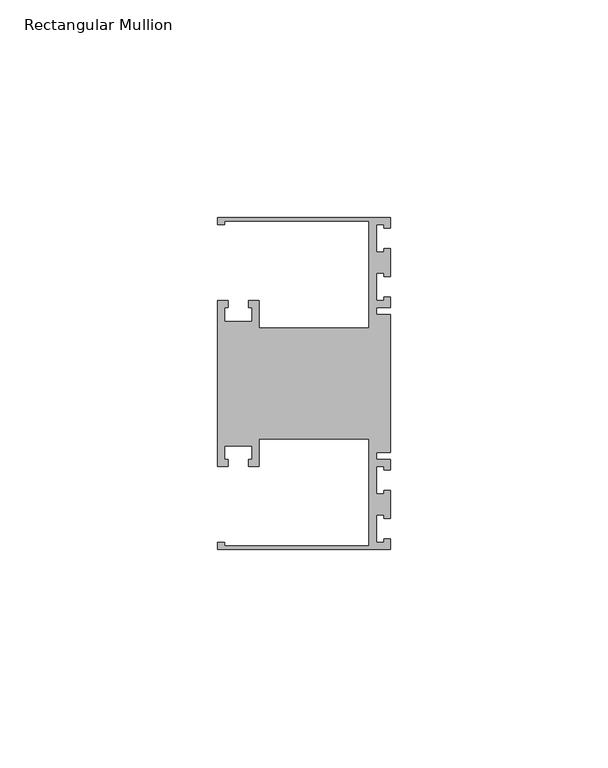
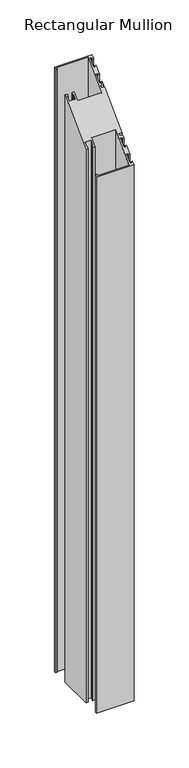
"""IFC4 building model written with IfcOpenShell, lengths in millimetres: member geometry, Rectangular Mullion."""

from ifc_helpers import new_model, si_unit, origin, place, context, project, spatial, faceted_brep, source, transform, mapped, element, save


def rectangular_mullion_bf91cc14(model_context):
    return source(origin(), model_context, "Body", "Brep", [
        faceted_brep([(0.0, 38.1, -635.0), (0.0, 35.71875, -635.0), (-1.4999946, 35.71875, -635.0), (-1.4999946, 36.5125, -635.0), (-3.175, 36.5125, -635.0), (-3.175, 30.1625, -635.0), (-1.4999946, 30.1625, -635.0), (-1.4999946, 30.95625, -635.0), (0.0, 30.95625, -635.0), (0.0, 24.60625, -635.0), (-1.4999946, 24.60625, -635.0), (-1.4999946, 25.4, -635.0), (-3.175, 25.4, -635.0), (-3.175, 19.05, -635.0), (-1.4999946, 19.05, -635.0), (-1.4999946, 19.84375, -635.0), (0.0, 19.84375, -635.0), (0.0, 17.4625, -635.0), (-3.175, 17.4625, -635.0), (-3.175, 15.875, -635.0), (0.0, 15.875, -635.0), (0.0, -15.875, -635.0), (-3.175, -15.875, -635.0), (-3.175, -17.4625, -635.0), (0.0, -17.4625, -635.0), (0.0, -19.84375, -635.0), (-1.4999946, -19.84375, -635.0), (-1.4999946, -19.05, -635.0), (-3.175, -19.05, -635.0), (-3.175, -25.4, -635.0), (-1.4999946, -25.4, -635.0), (-1.4999946, -24.60625, -635.0), (0.0, -24.60625, -635.0), (0.0, -30.95625, -635.0), (-1.4999946, -30.95625, -635.0), (-1.4999946, -30.1625, -635.0), (-3.175, -30.1625, -635.0), (-3.175, -36.5125, -635.0), (-1.4999946, -36.5125, -635.0), (-1.4999946, -35.71875, -635.0), (0.0, -35.71875, -635.0), (0.0, -38.1, -635.0), (-39.6875, -38.1, -635.0), (-39.6875, -36.5125, -635.0), (-38.1, -36.5125, -635.0), (-38.1, -37.30625, -635.0), (-4.8585733, -37.30625, -635.0), (-4.8585733, -12.6999969, -635.0), (-30.1625, -12.6999969, -635.0), (-30.1625, -19.05, -635.0), (-32.54375, -19.05, -635.0), (-32.54375, -17.4625, -635.0), (-31.75, -17.4625, -635.0), (-31.75, -14.2875, -635.0), (-38.1, -14.2875, -635.0), (-38.1, -17.4625, -635.0), (-37.30625, -17.4625, -635.0), (-37.30625, -19.05, -635.0), (-39.6875, -19.05, -635.0), (-39.6875, 19.05, -635.0), (-37.30625, 19.05, -635.0), (-37.30625, 17.4625, -635.0), (-38.1, 17.4625, -635.0), (-38.1, 14.2875, -635.0), (-31.75, 14.2875, -635.0), (-31.75, 17.4625, -635.0), (-32.54375, 17.4625, -635.0), (-32.54375, 19.05, -635.0), (-30.1625, 19.05, -635.0), (-30.1625, 12.6999969, -635.0), (-4.8585733, 12.6999969, -635.0), (-4.8585733, 37.30625, -635.0), (-38.1, 37.30625, -635.0), (-38.1, 36.5125, -635.0), (-39.6875, 36.5125, -635.0), (-39.6875, 38.1, -635.0), (-39.6875, 38.1, 38.1), (0.0, 38.1, 38.1), (-39.6875, 36.5125, 36.5125), (-38.1, 36.5125, 36.5125), (-38.1, 37.30625, 37.30625), (-4.8585733, 37.30625, 37.30625), (-4.8585733, 12.6999969, 12.6999969), (-30.1625, 12.6999969, 12.6999969), (-30.1625, 19.05, 19.05), (-32.54375, 19.05, 19.05), (-32.54375, 17.4625, 17.4625), (-31.75, 17.4625, 17.4625), (-31.75, 14.2875, 14.2875), (-38.1, 14.2875, 14.2875), (-38.1, 17.4625, 17.4625), (-37.30625, 17.4625, 17.4625), (-37.30625, 19.05, 19.05), (-39.6875, 19.05, 19.05), (-39.6875, -19.05, -19.05), (-37.30625, -19.05, -19.05), (-37.30625, -17.4625, -17.4625), (-38.1, -17.4625, -17.4625), (-38.1, -14.2875, -14.2875), (-31.75, -14.2875, -14.2875), (-31.75, -17.4625, -17.4625), (-32.54375, -17.4625, -17.4625), (-32.54375, -19.05, -19.05), (-30.1625, -19.05, -19.05), (-30.1625, -12.6999969, -12.6999969), (-4.8585733, -12.6999969, -12.6999969), (-4.8585733, -37.30625, -37.30625), (-38.1, -37.30625, -37.30625), (-38.1, -36.5125, -36.5125), (-39.6875, -36.5125, -36.5125), (-39.6875, -38.1, -38.1), (0.0, -38.1, -38.1), (0.0, -35.71875, -35.71875), (-1.4999946, -35.71875, -35.71875), (-1.4999946, -36.5125, -36.5125), (-3.175, -36.5125, -36.5125), (-3.175, -30.1625, -30.1625), (-1.4999946, -30.1625, -30.1625), (-1.4999946, -30.95625, -30.95625), (0.0, -30.95625, -30.95625), (0.0, -24.60625, -24.60625), (-1.4999946, -24.60625, -24.60625), (-1.4999946, -25.4, -25.4), (-3.175, -25.4, -25.4), (-3.175, -19.05, -19.05), (-1.4999946, -19.05, -19.05), (-1.4999946, -19.84375, -19.84375), (0.0, -19.84375, -19.84375), (0.0, -17.4625, -17.4625), (-3.175, -17.4625, -17.4625), (-3.175, -15.875, -15.875), (0.0, -15.875, -15.875), (0.0, 15.875, 15.875), (-3.175, 15.875, 15.875), (-3.175, 17.4625, 17.4625), (0.0, 17.4625, 17.4625), (0.0, 19.84375, 19.84375), (-1.4999946, 19.84375, 19.84375), (-1.4999946, 19.05, 19.05), (-3.175, 19.05, 19.05), (-3.175, 25.4, 25.4), (-1.4999946, 25.4, 25.4), (-1.4999946, 24.60625, 24.60625), (0.0, 24.60625, 24.60625), (0.0, 30.95625, 30.95625), (-1.4999946, 30.95625, 30.95625), (-1.4999946, 30.1625, 30.1625), (-3.175, 30.1625, 30.1625), (-3.175, 36.5125, 36.5125), (-1.4999946, 36.5125, 36.5125), (-1.4999946, 35.71875, 35.71875), (0.0, 35.71875, 35.71875)], [[[0, 1, 2, 3, 4, 5, 6, 7, 8, 9, 10, 11, 12, 13, 14, 15, 16, 17, 18, 19, 20, 21, 22, 23, 24, 25, 26, 27, 28, 29, 30, 31, 32, 33, 34, 35, 36, 37, 38, 39, 40, 41, 42, 43, 44, 45, 46, 47, 48, 49, 50, 51, 52, 53, 54, 55, 56, 57, 58, 59, 60, 61, 62, 63, 64, 65, 66, 67, 68, 69, 70, 71, 72, 73, 74, 75]], [[76, 77, 0, 75]], [[78, 76, 75, 74]], [[79, 78, 74, 73]], [[80, 79, 73, 72]], [[81, 80, 72, 71]], [[82, 81, 71, 70]], [[83, 82, 70, 69]], [[84, 83, 69, 68]], [[85, 84, 68, 67]], [[86, 85, 67, 66]], [[87, 86, 66, 65]], [[88, 87, 65, 64]], [[89, 88, 64, 63]], [[90, 89, 63, 62]], [[91, 90, 62, 61]], [[92, 91, 61, 60]], [[93, 92, 60, 59]], [[94, 93, 59, 58]], [[95, 94, 58, 57]], [[96, 95, 57, 56]], [[97, 96, 56, 55]], [[98, 97, 55, 54]], [[99, 98, 54, 53]], [[100, 99, 53, 52]], [[101, 100, 52, 51]], [[102, 101, 51, 50]], [[103, 102, 50, 49]], [[104, 103, 49, 48]], [[105, 104, 48, 47]], [[106, 105, 47, 46]], [[107, 106, 46, 45]], [[108, 107, 45, 44]], [[109, 108, 44, 43]], [[110, 109, 43, 42]], [[111, 110, 42, 41]], [[112, 111, 41, 40]], [[113, 112, 40, 39]], [[114, 113, 39, 38]], [[115, 114, 38, 37]], [[116, 115, 37, 36]], [[117, 116, 36, 35]], [[118, 117, 35, 34]], [[119, 118, 34, 33]], [[120, 119, 33, 32]], [[121, 120, 32, 31]], [[122, 121, 31, 30]], [[123, 122, 30, 29]], [[124, 123, 29, 28]], [[125, 124, 28, 27]], [[126, 125, 27, 26]], [[127, 126, 26, 25]], [[128, 127, 25, 24]], [[129, 128, 24, 23]], [[130, 129, 23, 22]], [[131, 130, 22, 21]], [[132, 131, 21, 20]], [[133, 132, 20, 19]], [[134, 133, 19, 18]], [[135, 134, 18, 17]], [[136, 135, 17, 16]], [[137, 136, 16, 15]], [[138, 137, 15, 14]], [[139, 138, 14, 13]], [[140, 139, 13, 12]], [[141, 140, 12, 11]], [[142, 141, 11, 10]], [[143, 142, 10, 9]], [[144, 143, 9, 8]], [[145, 144, 8, 7]], [[146, 145, 7, 6]], [[147, 146, 6, 5]], [[148, 147, 5, 4]], [[149, 148, 4, 3]], [[150, 149, 3, 2]], [[151, 150, 2, 1]], [[77, 151, 1, 0]], [[77, 76, 78, 79, 80, 81, 82, 83, 84, 85, 86, 87, 88, 89, 90, 91, 92, 93, 94, 95, 96, 97, 98, 99, 100, 101, 102, 103, 104, 105, 106, 107, 108, 109, 110, 111, 112, 113, 114, 115, 116, 117, 118, 119, 120, 121, 122, 123, 124, 125, 126, 127, 128, 129, 130, 131, 132, 133, 134, 135, 136, 137, 138, 139, 140, 141, 142, 143, 144, 145, 146, 147, 148, 149, 150, 151]]]),
    ])


if __name__ == "__main__":
    model = new_model("IFC4")
    model_context = context("Model", 3, world=origin())
    ifc_project = project(units=[si_unit("LENGTHUNIT", "METRE", prefix="MILLI")], contexts=[model_context])
    site = spatial("IfcSite", under=ifc_project)
    building = spatial("IfcBuilding", under=site)
    placement = place(None, origin())
    rectangular_mullion_shape = rectangular_mullion_bf91cc14(model_context)
    element("IfcMember", 1, ObjectType="Rectangular Mullion", at=placement, inside=building, context=model_context, shape_type="MappedRepresentation", body=[
        mapped(rectangular_mullion_shape, transform((0.0, 0.0, 0.0), x_axis=(1.0, 0.0, 0.0), y_axis=(0.0, 1.0, 0.0), z_axis=(0.0, 0.0, 1.0))),
    ])
    save(model, "model.ifc")
